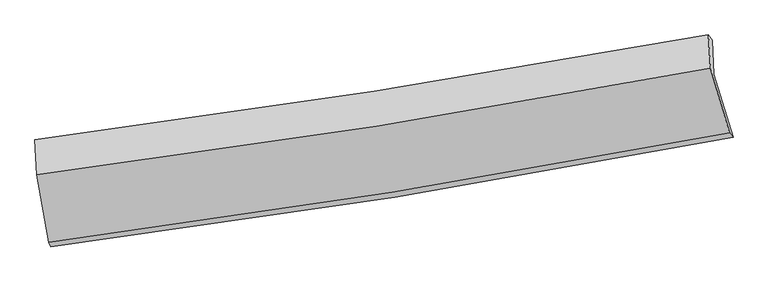
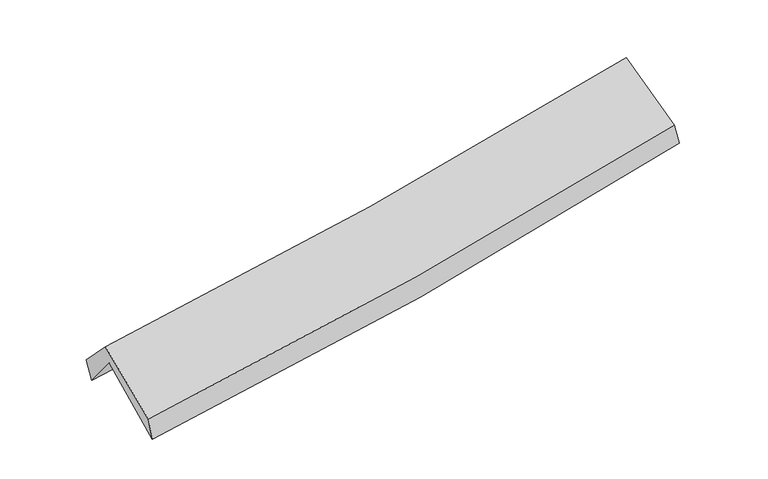
"""IFC4 building model written with IfcOpenShell, lengths in millimetres: proxy geometry."""

from ifc_helpers import new_model, si_unit, frame, origin, place, context, project, spatial, source, transform, mapped, element, save
from ifc_brep_helpers import plane_surface, spline_curve, spline_surface, advanced_brep


def generic_models_41a0da3e(model_context):
    return source(origin(), model_context, "Body", "AdvancedBrep", [
        advanced_brep(
        [(-2557.390962, -2503.9539494, 1465.4307291), (-2650.7838509, -1989.3298101, 1921.3127487), (2570.7230006, -1169.6167706, 2378.9388508), (2720.0062819, -1658.8136197, 1953.018272), (-2661.9263801, -1729.4344318, 1597.5286608), (2558.7250308, -908.7732236, 2066.504612), (-2679.7891598, -1675.5382187, 1769.5674972), (2529.0960509, -866.2218039, 2236.3913996), (-2664.6297693, -1948.152274, 2055.805599), (2544.8346837, -1124.4834643, 2514.9302217), (-2573.1403935, -2468.9319336, 1640.9262262), (2692.3745891, -1622.248953, 2116.3329179)],
        [
            (0, 1),
            (1, 2, spline_curve(3, [(-2650.7838509, -1989.3298101, 1921.3127487), (-1769.945707823, -1879.950535156, 1968.865920728), (-892.497183708, -1756.588867957, 2031.010240206), (847.945835648, -1483.106717609, 2183.807388514), (1710.999595127, -1333.230704988, 2274.205103016), (2570.7230006, -1169.6167706, 2378.9388508)], [4, 2, 4], [0.0, 8.79445611306997, 17.511691322593343])),
            (2, 3),
            (3, 0, spline_curve(3, [(2720.0062819, -1658.8136197, 1953.018272), (1851.629827673, -1826.572920805, 1846.827896587), (979.613918114, -1980.631050998, 1753.223841624), (-779.453731178, -2262.588310663, 1590.470683307), (-1666.57023648, -2390.243623802, 1521.545557434), (-2557.390962, -2503.9539494, 1465.4307291)], [4, 2, 4], [0.0, 8.717235209523373, 17.511691322593343])),
            (1, 4),
            (4, 5, spline_curve(3, [(-2661.9263801, -1729.4344318, 1597.5286608), (-1781.516585939, -1619.58037557, 1650.765098791), (-904.353208711, -1495.902652317, 1716.692701361), (835.807167416, -1222.107220917, 1873.23991319), (1698.860927026, -1072.231208035, 1963.637627498), (2558.7250308, -908.7732236, 2066.504612)], [4, 2, 4], [0.0, 8.743960557177198, 17.41114359382103])),
            (5, 2),
            (4, 6),
            (6, 7, spline_curve(3, [(-2679.7891598, -1675.5382187, 1769.5674972), (-1802.433192136, -1563.142360906, 1823.805294233), (-927.779177983, -1439.15309657, 1890.050445814), (808.468650957, -1169.178257087, 2045.868351741), (1670.109707029, -1023.395383128, 2135.231167819), (2529.0960509, -866.2218039, 2236.3913996)], [4, 2, 4], [0.0, 8.732608209413266, 17.388538579108037])),
            (7, 5),
            (6, 8),
            (8, 9, spline_curve(3, [(-2664.6297693, -1948.152274, 2055.805599), (-1787.172635884, -1835.560170761, 2113.543245997), (-912.419565321, -1710.26661236, 2180.883328163), (824.021307434, -1435.488268003, 2334.09275992), (1685.75638778, -1286.225556679, 2419.794218486), (2544.8346837, -1124.4834643, 2514.9302217)], [4, 2, 4], [0.0, 8.722879341828996, 17.369166269568517])),
            (9, 7),
            (8, 10),
            (10, 11, spline_curve(3, [(-2573.1403935, -2468.9319336, 1640.9262262), (-1685.285370465, -2353.344973625, 1700.606945552), (-800.644118083, -2224.625791106, 1770.283111955), (954.47135285, -1942.168524623, 1928.926771538), (1825.001761288, -1788.660047458, 2017.719502161), (2692.3745891, -1622.248953, 2116.3329179)], [4, 2, 4], [0.0, 8.774181195860063, 17.471319514808282])),
            (11, 9),
            (10, 0),
            (3, 11),
        ],
        [
            spline_surface(3, 3, [[(-2557.390962, -2503.9539494, 1465.4307291), (-1666.570236421, -2390.24362368, 1521.545557343), (-779.453731242, -2262.588310693, 1590.47068327), (979.613918177, -1980.631050967, 1753.22384166), (1851.629827628, -1826.572920675, 1846.827896678), (2720.0062819, -1658.8136197, 1953.018272)], [(-2588.521924949, -2332.412569639, 1617.391402297), (-1701.028726875, -2220.145927484, 1670.652345131), (-817.13488202, -2093.921829771, 1737.317202265), (935.724557309, -1814.789606506, 1896.751690562), (1804.75308348, -1662.125515401, 1989.286965387), (2670.245188135, -1495.748003317, 2094.991798238)], [(-2619.652887951, -2160.871189861, 1769.352075503), (-1735.48721738, -2050.048231272, 1819.759132929), (-854.816032827, -1925.255348876, 1884.163721311), (891.835196413, -1648.948162073, 2040.279539515), (1757.876339327, -1497.678110175, 2131.746034181), (2620.484094365, -1332.682386983, 2236.965324562)], [(-2650.7838509, -1989.3298101, 1921.3127487), (-1769.945707833, -1879.950535076, 1968.865920717), (-892.497183605, -1756.588867953, 2031.010240305), (847.945835545, -1483.106717612, 2183.807388416), (1710.999595178, -1333.2307049, 2274.20510289), (2570.7230006, -1169.6167706, 2378.9388508)]], [4, 4], [4, 2, 4], [0.0, 2.2167058306411365], [0.0, 8.79445611306997, 17.511691322593343]),
            spline_surface(3, 3, [[(-2650.7838509, -1989.3298101, 1921.3127487), (-1769.945707833, -1879.950535076, 1968.865920717), (-892.497183605, -1756.588867953, 2031.010240305), (847.945835545, -1483.106717612, 2183.807388416), (1710.999595178, -1333.2307049, 2274.20510289), (2570.7230006, -1169.6167706, 2378.9388508)], [(-2654.498027322, -1902.698017339, 1813.384719393), (-1773.802667246, -1793.160481924, 1862.832313449), (-896.449191967, -1669.69346273, 1926.23772739), (843.899612825, -1396.106885376, 2080.284896646), (1706.953372458, -1246.230872664, 2170.68261112), (2566.723677331, -1082.668921626, 2274.794104552)], [(-2658.212203678, -1816.066224561, 1705.456690107), (-1777.659626592, -1706.370428756, 1756.798706201), (-900.401200323, -1582.79805753, 1821.465214418), (839.85339011, -1309.107053163, 1976.762404819), (1702.907149743, -1159.231040351, 2067.160119293), (2562.724354069, -995.721072574, 2170.649358248)], [(-2661.9263801, -1729.4344318, 1597.5286608), (-1781.516586006, -1619.580375604, 1650.765098933), (-904.353208684, -1495.902652307, 1716.692701504), (835.807167389, -1222.107220927, 1873.239913049), (1698.860927023, -1072.231208115, 1963.637627522), (2558.7250308, -908.7732236, 2066.504612)]], [4, 4], [4, 2, 4], [0.0, 1.3359622712655184], [0.0, 8.743960557177198, 17.41114359382103]),
            spline_surface(3, 3, [[(-2661.9263801, -1729.4344318, 1597.5286608), (-1781.516586006, -1619.580375604, 1650.765098933), (-904.353208684, -1495.902652307, 1716.692701504), (835.807167389, -1222.107220927, 1873.239913049), (1698.860927023, -1072.231208115, 1963.637627522), (2558.7250308, -908.7732236, 2066.504612)], [(-2667.880639989, -1711.469027447, 1654.874939602), (-1788.488788011, -1600.767704007, 1708.445164001), (-912.161865107, -1476.986133722, 1774.47861625), (826.694328554, -1204.46423302, 1930.782725976), (1689.277187029, -1055.952599788, 2020.835474235), (2548.848704186, -894.589417023, 2123.133541191)], [(-2673.834899911, -1693.503623053, 1712.221218398), (-1795.460990048, -1581.95503237, 1766.125229064), (-919.970521508, -1458.069615086, 1832.264530986), (817.58148974, -1186.821245061, 1988.325538894), (1679.693446977, -1039.673991492, 2078.033320973), (2538.972377514, -880.405610477, 2179.762470409)], [(-2679.7891598, -1675.5382187, 1769.5674972), (-1802.433192053, -1563.142360773, 1823.805294132), (-927.77917793, -1439.153096502, 1890.050445732), (808.468650905, -1169.178257155, 2045.868351821), (1670.109706984, -1023.395383165, 2135.231167686), (2529.0960509, -866.2218039, 2236.3913996)]], [4, 4], [4, 2, 4], [0.0, 0.6012112762713051], [0.0, 8.732608209413266, 17.388538579108037]),
            spline_surface(3, 3, [[(-2679.7891598, -1675.5382187, 1769.5674972), (-1802.433192053, -1563.142360773, 1823.805294132), (-927.77917793, -1439.153096502, 1890.050445732), (808.468650905, -1169.178257155, 2045.868351821), (1670.109706984, -1023.395383165, 2135.231167686), (2529.0960509, -866.2218039, 2236.3913996)], [(-2674.73602962, -1766.409570456, 1864.980197804), (-1797.346340023, -1653.948297466, 1920.384611403), (-922.659307047, -1529.524268424, 1986.99473991), (813.652869745, -1257.948260757, 2141.943154468), (1675.32526722, -1111.005440991, 2230.0855179), (2534.342261827, -952.309024015, 2329.237673626)], [(-2669.68289948, -1857.280922244, 1960.392898396), (-1792.259488034, -1744.754234192, 2016.963928662), (-917.53943618, -1619.895440412, 2083.939034117), (818.83708857, -1346.718264425, 2238.017957143), (1680.540827477, -1198.615498873, 2324.939868135), (2539.588472773, -1038.396244185, 2422.083947674)], [(-2664.6297693, -1948.152274, 2055.805599), (-1787.172636004, -1835.560170884, 2113.543245933), (-912.419565297, -1710.266612334, 2180.883328295), (824.02130741, -1435.488268028, 2334.09275979), (1685.756387713, -1286.225556698, 2419.794218349), (2544.8346837, -1124.4834643, 2514.9302217)]], [4, 4], [4, 2, 4], [0.0, 1.29703034855639], [0.0, 8.722879341828996, 17.369166269568517]),
            spline_surface(3, 3, [[(-2664.6297693, -1948.152274, 2055.805599), (-1787.172636004, -1835.560170884, 2113.543245933), (-912.419565297, -1710.266612334, 2180.883328295), (824.02130741, -1435.488268028, 2334.09275979), (1685.756387713, -1286.225556698, 2419.794218349), (2544.8346837, -1124.4834643, 2514.9302217)], [(-2634.133310703, -2121.745493867, 1917.512474729), (-1753.21021414, -2008.155105178, 1975.897812509), (-875.161082883, -1881.719671886, 2044.016589545), (867.50465584, -1604.381686947, 2199.037430317), (1732.171512217, -1453.703720265, 2285.769312985), (2594.014652168, -1290.405293882, 2382.06445378)], [(-2603.636852097, -2295.338713733, 1779.219350471), (-1719.247792266, -2180.75003947, 1838.252379097), (-837.902600408, -2053.172731414, 1907.149850834), (910.988004331, -1773.275105843, 2063.982100883), (1778.586636716, -1621.181883784, 2151.744407582), (2643.194620632, -1456.327123418, 2249.19868582)], [(-2573.1403935, -2468.9319336, 1640.9262262), (-1685.285370402, -2353.344973764, 1700.606945672), (-800.644117994, -2224.625790966, 1770.283112085), (954.471352761, -1942.168524762, 1928.92677141), (1825.00176122, -1788.660047351, 2017.719502217), (2692.3745891, -1622.248953, 2116.3329179)]], [4, 4], [4, 2, 4], [0.0, 2.180466625031506], [0.0, 8.774181195860063, 17.471319514808282]),
            spline_surface(3, 3, [[(-2573.1403935, -2468.9319336, 1640.9262262), (-1685.285370402, -2353.344973764, 1700.606945672), (-800.644117994, -2224.625790966, 1770.283112085), (954.471352761, -1942.168524762, 1928.92677141), (1825.00176122, -1788.660047351, 2017.719502217), (2692.3745891, -1622.248953, 2116.3329179)], [(-2567.890583016, -2480.605938853, 1582.427727175), (-1679.046992424, -2365.644523722, 1640.919816238), (-793.580655728, -2237.279964222, 1710.345635831), (962.852207915, -1954.989366844, 1870.359128178), (1833.877783342, -1801.297671796, 1960.755633717), (2701.585153352, -1634.437175237, 2061.894702613)], [(-2562.640772484, -2492.279944147, 1523.929228125), (-1672.808614399, -2377.944073722, 1581.232686778), (-786.517193508, -2249.934137437, 1650.408159524), (971.233063023, -1967.810208886, 1811.791484892), (1842.753805507, -1813.93529623, 1903.791765179), (2710.795717648, -1646.625397463, 2007.456487287)], [(-2557.390962, -2503.9539494, 1465.4307291), (-1666.570236421, -2390.24362368, 1521.545557343), (-779.453731242, -2262.588310693, 1590.47068327), (979.613918177, -1980.631050967, 1753.22384166), (1851.629827628, -1826.572920675, 1846.827896678), (2720.0062819, -1658.8136197, 1953.018272)]], [4, 4], [4, 2, 4], [0.0, 0.6013885972241078], [0.0, 8.834418830435387, 17.59126585931486]),
            plane_surface(frame((2602.6266062, -1225.0263059, 2211.019379), z_axis=(0.9739804659908722, 0.19097049303294458, 0.12203410449115307), x_axis=(0.22541119726975614, -0.7604852020927118, -0.6089762306883764))),
            plane_surface(frame((-2631.2767526, -2052.5567696, 1741.7619102), z_axis=(-0.9903545510483034, -0.12268352281112115, -0.06439422682637608), x_axis=(-0.08766848292504195, 0.19494843352603333, 0.9768875807212248))),
        ],
        [
            (0, [[1, 2, 3, 4]]),
            (1, [[5, 6, 7, -2]]),
            (2, [[8, 9, 10, -6]]),
            (3, [[11, 12, 13, -9]]),
            (4, [[14, 15, 16, -12]]),
            (5, [[17, -4, 18, -15]]),
            (6, [[-16, -18, -3, -7, -10, -13]]),
            (7, [[-17, -14, -11, -8, -5, -1]]),
        ],
    ),
    ])


if __name__ == "__main__":
    model = new_model("IFC4")
    model_context = context("Model", 3, world=origin())
    ifc_project = project(units=[si_unit("LENGTHUNIT", "METRE", prefix="MILLI")], contexts=[model_context])
    site = spatial("IfcSite", under=ifc_project)
    building = spatial("IfcBuilding", under=site)
    placement = place(None, origin())
    generic_models_shape = generic_models_41a0da3e(model_context)
    element("IfcBuildingElementProxy", 1, Name="Generic Models", at=placement, inside=building, context=model_context, shape_type="MappedRepresentation", body=[
        mapped(generic_models_shape, transform((0.0, 0.0, 0.0), x_axis=(1.0, 0.0, 0.0), y_axis=(0.0, 1.0, 0.0), z_axis=(0.0, 0.0, 1.0))),
    ])
    save(model, "model.ifc")
